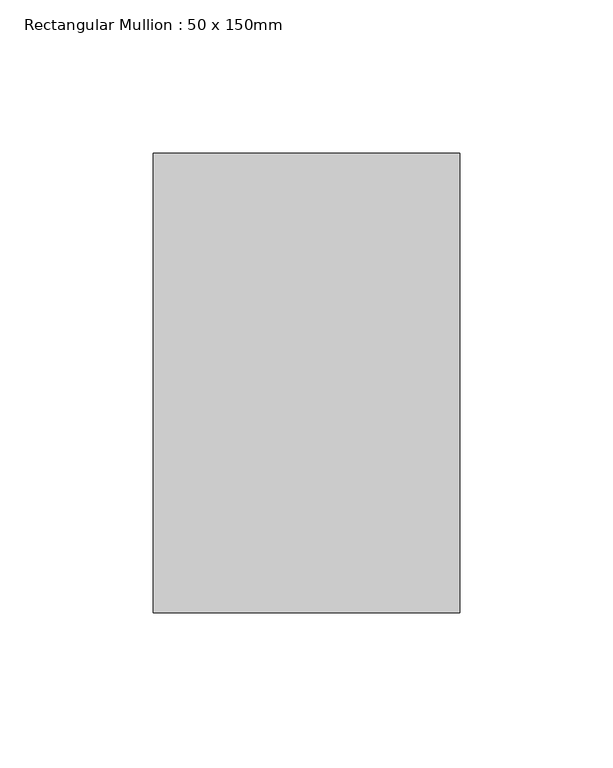
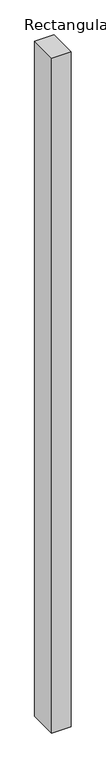
"""IFC4 building model written with IfcOpenShell, lengths in millimetres: member geometry, Rectangular Mullion : 50 x 150mm."""

from ifc_helpers import new_model, si_unit, frame, origin, place, context, project, spatial, polyline, outline, extrude, source, transform, mapped, element, save


def rectangular_mullion_50_x_150mm_5e1b9bd1(model_context):
    return source(origin(), model_context, "Body", "SweptSolid", [
        extrude(outline(polyline([(50.0, 75.0), (50.0, -75.0), (-50.0, -75.0), (-50.0, 75.0), (50.0, 75.0)])), frame((0.0, 0.0, -3650.2101386), z_axis=(0.0, 0.0, 1.0), x_axis=(1.0, 0.0, 0.0)), (0.0, 0.0, 1.0), 3650.2101386),
    ])


if __name__ == "__main__":
    model = new_model("IFC4")
    model_context = context("Model", 3, world=origin())
    ifc_project = project(units=[si_unit("LENGTHUNIT", "METRE", prefix="MILLI")], contexts=[model_context])
    site = spatial("IfcSite", under=ifc_project)
    building = spatial("IfcBuilding", under=site)
    placement = place(None, origin())
    rectangular_mullion_50_x_150mm_shape = rectangular_mullion_50_x_150mm_5e1b9bd1(model_context)
    element("IfcMember", 1, ObjectType="Rectangular Mullion : 50 x 150mm", at=placement, inside=building, context=model_context, shape_type="MappedRepresentation", body=[
        mapped(rectangular_mullion_50_x_150mm_shape, transform((0.0, 0.0, 0.0), x_axis=(1.0, 0.0, 0.0), y_axis=(0.0, 1.0, 0.0), z_axis=(0.0, 0.0, 1.0))),
    ])
    save(model, "model.ifc")
